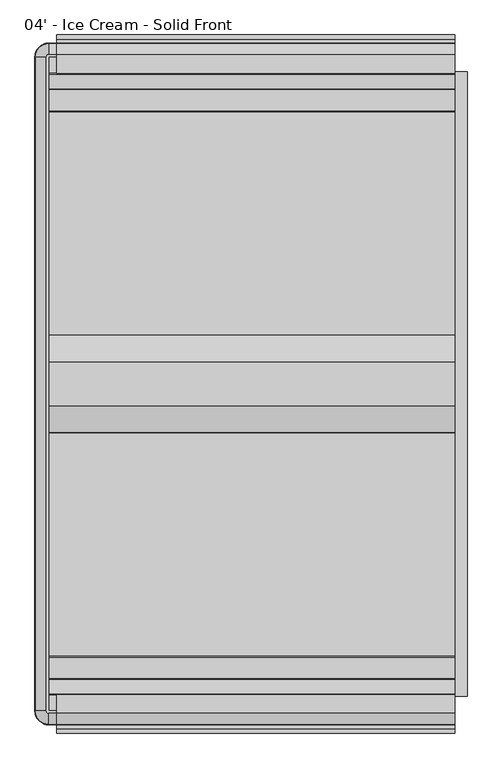
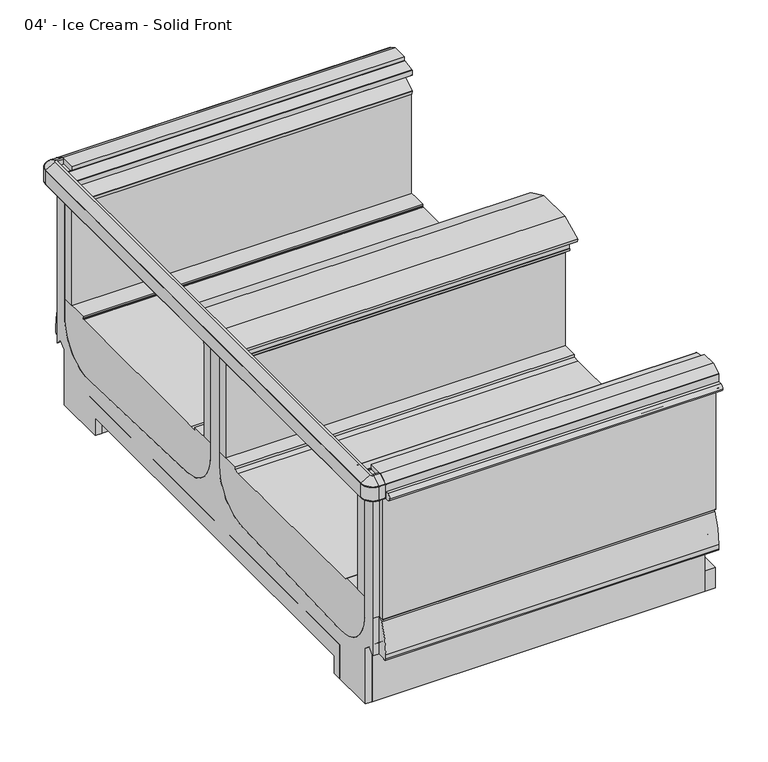
"""IFC4 building model written with IfcOpenShell, lengths in millimetres: proxy geometry, 04' - Ice Cream - Solid Front."""

from ifc_helpers import new_model, si_unit, point, frame, frame_2d, origin, origin_with_axes, place, context, project, spatial, polyline, circle_curve, ellipse_curve, trimmed, segment, composite_curve, outline, extrude, source, transform, mapped, element, save
from ifc_brep_helpers import plane_surface, cylinder_surface, revolved_surface, advanced_brep


def proxy_04_ice_cream_solid_front_bdc333ee(model_context):
    return source(origin(), model_context, "Body", "SolidModel", [
        extrude(outline(polyline([(-2377.8829734, 0.0), (-2409.6329734, 0.0), (-2409.6329734, 218.5762254), (-2377.8829734, 192.0044611), (-2377.8829734, 0.0)])), frame((0.0, 0.0, 0.0), z_axis=(1.0, 0.0, 0.0), x_axis=(0.0, 1.0, 0.0)), (0.0, 0.0, 1.0), 1219.2),
        extrude(outline(polyline([(1155.7, -582.4839273), (932.0400723, -582.4839273), (932.0400723, -531.6839273), (1155.7, -531.6839273), (1155.7, -582.4839273)])), frame((0.0, 0.0, -6.35), z_axis=(0.0, 0.0, 1.0), x_axis=(1.0, 0.0, 0.0)), (0.0, 0.0, 1.0), 6.35),
        extrude(outline(composite_curve([segment(trimmed(circle_curve(frame_2d((1016.0, -557.0839273)), 15.875), [point((1000.125, -557.0839273))], [point((1031.875, -557.0839273))], False, "CARTESIAN"), True, "CONTINUOUS"), segment(trimmed(circle_curve(frame_2d((1016.0, -557.0839273)), 15.875), [point((1031.875, -557.0839273))], [point((1000.125, -557.0839273))], False, "CARTESIAN"), True, "CONTINUOUS")], self_intersect=False)), frame((0.0, 0.0, -6.35), z_axis=(0.0, 0.0, 1.0), x_axis=(1.0, 0.0, 0.0)), (0.0, 0.0, 1.0), 6.35),
        extrude(outline(composite_curve([segment(trimmed(circle_curve(frame_2d((1066.8, -557.0839273)), 15.875), [point((1050.925, -557.0839273))], [point((1082.675, -557.0839273))], False, "CARTESIAN"), True, "CONTINUOUS"), segment(trimmed(circle_curve(frame_2d((1066.8, -557.0839273)), 15.875), [point((1082.675, -557.0839273))], [point((1050.925, -557.0839273))], False, "CARTESIAN"), True, "CONTINUOUS")], self_intersect=False)), frame((0.0, 0.0, -6.35), z_axis=(0.0, 0.0, 1.0), x_axis=(1.0, 0.0, 0.0)), (0.0, 0.0, 1.0), 6.35),
        extrude(outline(composite_curve([segment(trimmed(circle_curve(frame_2d((1117.6, -557.0839273)), 15.875), [point((1101.725, -557.0839273))], [point((1133.475, -557.0839273))], False, "CARTESIAN"), True, "CONTINUOUS"), segment(trimmed(circle_curve(frame_2d((1117.6, -557.0839273)), 15.875), [point((1133.475, -557.0839273))], [point((1101.725, -557.0839273))], False, "CARTESIAN"), True, "CONTINUOUS")], self_intersect=False)), frame((0.0, 0.0, -6.35), z_axis=(0.0, 0.0, 1.0), x_axis=(1.0, 0.0, 0.0)), (0.0, 0.0, 1.0), 6.35),
        extrude(outline(composite_curve([segment(trimmed(circle_curve(frame_2d((965.2, -557.0839273)), 15.875), [point((949.325, -557.0839273))], [point((981.075, -557.0839273))], False, "CARTESIAN"), True, "CONTINUOUS"), segment(trimmed(circle_curve(frame_2d((965.2, -557.0839273)), 15.875), [point((981.075, -557.0839273))], [point((949.325, -557.0839273))], False, "CARTESIAN"), True, "CONTINUOUS")], self_intersect=False)), frame((0.0, 0.0, -6.35), z_axis=(0.0, 0.0, 1.0), x_axis=(1.0, 0.0, 0.0)), (0.0, 0.0, 1.0), 6.35),
        extrude(outline(composite_curve([segment(trimmed(circle_curve(frame_2d((203.2, -2350.9589273)), 15.875), [point((219.075, -2350.9589273))], [point((187.325, -2350.9589273))], False, "CARTESIAN"), True, "CONTINUOUS"), segment(trimmed(circle_curve(frame_2d((203.2, -2350.9589273)), 15.875), [point((187.325, -2350.9589273))], [point((219.075, -2350.9589273))], False, "CARTESIAN"), True, "CONTINUOUS")], self_intersect=False)), frame((0.0, 0.0, -6.35), z_axis=(0.0, 0.0, 1.0), x_axis=(1.0, 0.0, 0.0)), (0.0, 0.0, 1.0), 6.35),
        extrude(outline(composite_curve([segment(trimmed(circle_curve(frame_2d((152.4, -2350.9589273)), 15.875), [point((168.275, -2350.9589273))], [point((136.525, -2350.9589273))], False, "CARTESIAN"), True, "CONTINUOUS"), segment(trimmed(circle_curve(frame_2d((152.4, -2350.9589273)), 15.875), [point((136.525, -2350.9589273))], [point((168.275, -2350.9589273))], False, "CARTESIAN"), True, "CONTINUOUS")], self_intersect=False)), frame((0.0, 0.0, -6.35), z_axis=(0.0, 0.0, 1.0), x_axis=(1.0, 0.0, 0.0)), (0.0, 0.0, 1.0), 6.35),
        extrude(outline(composite_curve([segment(trimmed(circle_curve(frame_2d((254.0, -2350.9589273)), 15.875), [point((269.875, -2350.9589273))], [point((238.125, -2350.9589273))], False, "CARTESIAN"), True, "CONTINUOUS"), segment(trimmed(circle_curve(frame_2d((254.0, -2350.9589273)), 15.875), [point((238.125, -2350.9589273))], [point((269.875, -2350.9589273))], False, "CARTESIAN"), True, "CONTINUOUS")], self_intersect=False)), frame((0.0, 0.0, -6.35), z_axis=(0.0, 0.0, 1.0), x_axis=(1.0, 0.0, 0.0)), (0.0, 0.0, 1.0), 6.35),
        extrude(outline(composite_curve([segment(trimmed(circle_curve(frame_2d((101.6, -2350.9589273)), 15.875), [point((117.475, -2350.9589273))], [point((85.725, -2350.9589273))], False, "CARTESIAN"), True, "CONTINUOUS"), segment(trimmed(circle_curve(frame_2d((101.6, -2350.9589273)), 15.875), [point((85.725, -2350.9589273))], [point((117.475, -2350.9589273))], False, "CARTESIAN"), True, "CONTINUOUS")], self_intersect=False)), frame((0.0, 0.0, -6.35), z_axis=(0.0, 0.0, 1.0), x_axis=(1.0, 0.0, 0.0)), (0.0, 0.0, 1.0), 6.35),
        extrude(outline(polyline([(69.85, -2325.5589273), (289.1439539, -2325.5589273), (289.1439539, -2376.3589273), (69.85, -2376.3589273), (69.85, -2325.5589273)])), frame((0.0, 0.0, -6.35), z_axis=(0.0, 0.0, 1.0), x_axis=(1.0, 0.0, 0.0)), (0.0, 0.0, 1.0), 6.35),
        extrude(outline(composite_curve([segment(polyline([(-445.8191812, 916.3995638), (-411.9355812, 896.8368583)]), True, "CONTINUOUS"), segment(trimmed(circle_curve(frame_2d((-412.9769812, 895.0331005)), 2.0828), [point((-411.9355812, 896.8368583))], [point((-410.8941812, 895.0331005))], False, "CARTESIAN"), True, "CONTINUOUS"), segment(polyline([(-410.8941812, 895.0331005), (-410.8941812, 842.2823638)]), True, "CONTINUOUS"), segment(trimmed(circle_curve(frame_2d((-412.9769812, 842.2823638)), 2.0828), [point((-410.8941812, 842.2823638))], [point((-412.9769812, 840.1995638))], False, "CARTESIAN"), True, "CONTINUOUS"), segment(polyline([(-412.9769812, 840.1995638), (-453.2686576, 840.1995638), (-453.2686576, 896.9698692), (-502.6537801, 896.9698692), (-502.6537801, 916.3995638), (-445.8191812, 916.3995638)]), True, "CONTINUOUS")], self_intersect=False)), frame((0.0, 0.0, 0.0), z_axis=(1.0, 0.0, 0.0), x_axis=(0.0, 1.0, 0.0)), (0.0, 0.0, 1.0), 1219.2),
        extrude(outline(composite_curve([segment(polyline([(-2462.2236734, 916.3995638), (-2405.3883698, 916.3995638), (-2405.3883698, 896.9698692), (-2454.774197, 896.9698692), (-2454.774197, 840.1995638), (-2495.0658734, 840.1995638)]), True, "CONTINUOUS"), segment(trimmed(circle_curve(frame_2d((-2495.0658734, 842.2823638)), 2.0828), [point((-2495.0658734, 840.1995638))], [point((-2497.1486734, 842.2823638))], False, "CARTESIAN"), True, "CONTINUOUS"), segment(polyline([(-2497.1486734, 842.2823638), (-2497.1486734, 895.0331005)]), True, "CONTINUOUS"), segment(trimmed(circle_curve(frame_2d((-2495.0658734, 895.0331005)), 2.0828), [point((-2497.1486734, 895.0331005))], [point((-2496.1072734, 896.8368583))], False, "CARTESIAN"), True, "CONTINUOUS"), segment(polyline([(-2496.1072734, 896.8368583), (-2462.2236734, 916.3995638)]), True, "CONTINUOUS")], self_intersect=False)), frame((0.0, 0.0, 0.0), z_axis=(1.0, 0.0, 0.0), x_axis=(0.0, 1.0, 0.0)), (0.0, 0.0, 1.0), 1219.2),
        extrude(outline(polyline([(1257.3, -498.4098812), (1257.3, -2409.6329734), (1219.2, -2409.6329734), (1219.2, -498.4098812), (1257.3, -498.4098812)])), origin_with_axes(), (0.0, 0.0, 1.0), 80.0346764),
        extrude(outline(composite_curve([segment(polyline([(-2454.774197, 212.6925638), (-2484.436449, 212.6925638), (-2484.436449, 210.1525638), (-2489.3644531, 210.1525638)]), True, "CONTINUOUS"), segment(trimmed(circle_curve(frame_2d((-2489.3644531, 218.3404259)), 8.1878621), [point((-2489.3644531, 210.1525638))], [point((-2497.5523152, 218.3404259))], False, "CARTESIAN"), True, "CONTINUOUS"), segment(polyline([(-2497.5523152, 218.3404259), (-2497.5523152, 235.3283913)]), True, "CONTINUOUS"), segment(trimmed(circle_curve(frame_2d((-2218.2798369, 226.8878416)), 279.4), [point((-2497.5523152, 235.3283913))], [point((-2470.719945, 346.6306987))], False, "CARTESIAN"), True, "CONTINUOUS"), segment(trimmed(circle_curve(frame_2d((-2459.2453946, 341.1878416)), 12.7), [point((-2470.719945, 346.6306987))], [point((-2459.036449, 353.8861226))], False, "CARTESIAN"), True, "CONTINUOUS"), segment(polyline([(-2459.036449, 353.8861226), (-2459.036449, 358.1075638), (-2454.774197, 358.1075638), (-2454.774197, 212.6925638)]), True, "CONTINUOUS")], self_intersect=False)), frame((0.0, 0.0, 0.0), z_axis=(1.0, 0.0, 0.0), x_axis=(0.0, 1.0, 0.0)), (0.0, 0.0, 1.0), 1219.2),
        extrude(outline(composite_curve([segment(polyline([(-453.2686576, 212.6925638), (-453.2686576, 358.1075638), (-449.0064056, 358.1075638), (-449.0064056, 353.8878416), (-439.8158479, 353.8878416)]), True, "CONTINUOUS"), segment(trimmed(circle_curve(frame_2d((-439.8158479, 341.1878416)), 12.7), [point((-439.8158479, 353.8878416))], [point((-428.3412975, 346.6306987))], False, "CARTESIAN"), True, "CONTINUOUS"), segment(trimmed(circle_curve(frame_2d((-680.7814056, 226.8878416)), 279.4), [point((-428.3412975, 346.6306987))], [point((-401.5089273, 235.3283913))], False, "CARTESIAN"), True, "CONTINUOUS"), segment(polyline([(-401.5089273, 235.3283913), (-401.5089273, 218.3404259)]), True, "CONTINUOUS"), segment(trimmed(circle_curve(frame_2d((-409.6967894, 218.3404259)), 8.1878621), [point((-401.5089273, 218.3404259))], [point((-409.6967894, 210.1525638))], False, "CARTESIAN"), True, "CONTINUOUS"), segment(polyline([(-409.6967894, 210.1525638), (-423.6064056, 210.1525638), (-423.6064056, 212.6925638), (-453.2686576, 212.6925638)]), True, "CONTINUOUS")], self_intersect=False)), frame((0.0, 0.0, 0.0), z_axis=(1.0, 0.0, 0.0), x_axis=(0.0, 1.0, 0.0)), (0.0, 0.0, 1.0), 1219.2),
        advanced_brep(
        [(-24.4402697, -2454.774197, 897.0258043), (-24.4402697, -2405.4351648, 897.0258043), (-24.4402697, -2405.4351648, 329.8307252), (-24.4402697, -2245.5061532, 189.514106), (-24.4402697, -1631.4536419, 211.922149), (-24.4402697, -1480.7855206, 364.3123081), (-24.4402697, -1480.7848159, 866.4774073), (-24.4402697, -1427.2580387, 866.4774073), (-24.4402697, -1427.2580387, 364.3123081), (-24.4402697, -1276.5892127, 211.922149), (-24.4402697, -662.5367014, 189.514106), (-24.4402697, -502.6076898, 329.8307252), (-24.4402697, -502.6076898, 413.6025156), (-24.4402697, -502.6076898, 897.0258043), (-24.4402697, -453.2686576, 897.0258043), (-24.4402697, -453.2686576, 358.1075638), (-24.4402697, -453.2686576, 212.7617767), (-24.4402697, -472.9537484, 236.2215544), (-24.4402697, -498.4098812, 214.8613228), (-24.4402697, -498.4098812, 0.0), (-24.4402697, -694.8002747, 0.0), (-24.4402697, -694.8001069, 67.8833987), (-24.4402697, -1454.0214273, 67.8834387), (-24.4402697, -2213.2427477, 67.8833987), (-24.4402697, -2213.2425799, 0.0), (-24.4402697, -2409.6329734, 0.0), (-24.4402697, -2409.6329734, 214.8613228), (-24.4402697, -2435.0891062, 236.2215544), (-24.4402697, -2454.774197, 212.7617767), (-24.4402697, -2454.774197, 358.1075638), (0.0, -2454.774197, 897.0258043), (0.0, -2454.774197, 358.1075638), (0.0, -2454.774197, 212.7617767), (0.0, -2435.0891062, 236.2215544), (0.0, -2409.6329734, 214.8613228), (0.0, -2409.6329734, 0.0), (0.0, -2213.2425799, 0.0), (0.0, -2213.2427477, 67.8833987), (0.0, -1454.0214273, 67.8834387), (0.0, -694.8001069, 67.8833987), (0.0, -694.8002747, 0.0), (0.0, -498.4098812, 0.0), (0.0, -498.4098812, 214.8613228), (0.0, -472.9537484, 236.2215544), (0.0, -453.2686576, 212.7617767), (0.0, -453.2686576, 358.1075638), (0.0, -453.2686576, 897.0258043), (0.0, -502.6076898, 897.0258043), (0.0, -502.6076898, 413.6025156), (0.0, -502.6076898, 329.8307252), (0.0, -662.5367014, 189.514106), (0.0, -1276.5892127, 211.922149), (0.0, -1427.257334, 364.3123081), (0.0, -1427.2580387, 866.4774073), (0.0, -1480.7848159, 866.4774073), (0.0, -1480.7848159, 364.3123081), (0.0, -1631.4536419, 211.922149), (0.0, -2245.5061532, 189.514106), (0.0, -2405.4351648, 329.8307252), (0.0, -2405.4351648, 897.0258043)],
        [
            (0, 1),
            (1, 2),
            (2, 3, circle_curve(frame((-24.4402697, -2254.7995855, 340.2213556), z_axis=(1.0, 0.0, 0.0), x_axis=(0.0, 1.0, 0.0)), 150.9935196)),
            (3, 4, circle_curve(frame((-24.4402697, -1492.4045203, -12023.1831731), z_axis=(-1.0, 0.0, 0.0), x_axis=(0.0, 1.0, 0.0)), 12235.8954271)),
            (4, 5, circle_curve(frame((-24.4402697, -1633.1855206, 364.3123081), z_axis=(1.0, 0.0, 0.0), x_axis=(0.0, 1.0, 0.0)), 152.4)),
            (5, 6),
            (6, 7),
            (7, 8),
            (8, 9, circle_curve(frame((-24.4402697, -1274.857334, 364.3123081), z_axis=(1.0, 0.0, 0.0), x_axis=(0.0, 1.0, 0.0)), 152.4)),
            (9, 10, circle_curve(frame((-24.4402697, -1415.6383343, -12023.1831731), z_axis=(-1.0, 0.0, 0.0), x_axis=(0.0, 1.0, 0.0)), 12235.8954271)),
            (10, 11, circle_curve(frame((-24.4402697, -653.2432691, 340.2213556), z_axis=(1.0, 0.0, 0.0), x_axis=(0.0, 1.0, 0.0)), 150.9935196)),
            (11, 12),
            (12, 13),
            (13, 14),
            (14, 15),
            (15, 16),
            (16, 17),
            (17, 18),
            (18, 19),
            (19, 20),
            (20, 21),
            (21, 22),
            (22, 23),
            (23, 24),
            (24, 25),
            (25, 26),
            (26, 27),
            (27, 28),
            (28, 29),
            (29, 0),
            (30, 31),
            (31, 32),
            (32, 33),
            (33, 34),
            (34, 35),
            (35, 36),
            (36, 37),
            (37, 38),
            (38, 39),
            (39, 40),
            (40, 41),
            (41, 42),
            (42, 43),
            (43, 44),
            (44, 45),
            (45, 46),
            (46, 47),
            (47, 48),
            (48, 49),
            (49, 50, circle_curve(frame((0.0, -653.2432691, 340.2213556), z_axis=(-1.0, 0.0, 0.0), x_axis=(0.0, 1.0, 0.0)), 150.9935196)),
            (50, 51, circle_curve(frame((0.0, -1415.6383343, -12023.1831731), z_axis=(1.0, 0.0, 0.0), x_axis=(0.0, 1.0, 0.0)), 12235.8954271)),
            (51, 52, circle_curve(frame((0.0, -1274.857334, 364.3123081), z_axis=(-1.0, 0.0, 0.0), x_axis=(0.0, 1.0, 0.0)), 152.4)),
            (52, 53),
            (53, 54),
            (54, 55),
            (55, 56, circle_curve(frame((0.0, -1633.1855206, 364.3123081), z_axis=(-1.0, 0.0, 0.0), x_axis=(0.0, 1.0, 0.0)), 152.4)),
            (56, 57, circle_curve(frame((0.0, -1492.4045203, -12023.1831731), z_axis=(1.0, 0.0, 0.0), x_axis=(0.0, 1.0, 0.0)), 12235.8954271)),
            (57, 58, circle_curve(frame((0.0, -2254.7995855, 340.2213556), z_axis=(-1.0, 0.0, 0.0), x_axis=(0.0, 1.0, 0.0)), 150.9935196)),
            (58, 59),
            (59, 30),
            (59, 1),
            (0, 30),
            (29, 31),
            (28, 32),
            (45, 15),
            (14, 46),
            (13, 47),
            (42, 18),
            (17, 43),
            (16, 44),
            (27, 33),
            (26, 34),
            (12, 48),
            (11, 49),
            (10, 50),
            (9, 51),
            (8, 52),
            (7, 53),
            (6, 54),
            (5, 55),
            (4, 56),
            (3, 57),
            (2, 58),
            (25, 35),
            (24, 36),
            (23, 37),
            (22, 38),
            (21, 39),
            (20, 40),
            (19, 41),
        ],
        [
            plane_surface(frame((-24.4402697, -2454.774197, 358.1075638), z_axis=(-1.0, 0.0, 0.0), x_axis=(0.0, 0.0, 1.0))),
            plane_surface(frame((0.0, -2454.774197, 358.1075638), z_axis=(1.0, 0.0, 0.0), x_axis=(0.0, 0.0, -1.0))),
            plane_surface(frame((0.0, -2405.4351648, 897.0258043), z_axis=(0.0, 0.0, 1.0), x_axis=(-1.0, 0.0, 0.0))),
            plane_surface(frame((0.0, -2454.774197, 897.0258043), z_axis=(0.0, -1.0, 0.0), x_axis=(-1.0, 0.0, 0.0))),
            plane_surface(frame((0.0, -2454.774197, 358.1075638), z_axis=(0.0, -1.0, 0.0), x_axis=(-1.0, 0.0, 0.0))),
            plane_surface(frame((0.0, -453.2686576, 358.1075638), z_axis=(0.0, 1.0, 0.0), x_axis=(-1.0, 0.0, 0.0))),
            plane_surface(frame((0.0, -453.2686576, 897.0258043), z_axis=(0.0, 0.0, 1.0), x_axis=(-1.0, 0.0, 0.0))),
            plane_surface(frame((0.0, -498.4098812, 214.8613228), z_axis=(0.0, 0.6427876097064538, -0.7660444431022678), x_axis=(-1.0, 0.0, 0.0))),
            plane_surface(frame((0.0, -472.9537484, 236.2215544), z_axis=(0.0, -0.7660444431084633, -0.6427876096990705), x_axis=(-1.0, 0.0, 0.0))),
            plane_surface(frame((0.0, -453.2686576, 212.7617767), z_axis=(0.0, 1.0, 3.1216682375061996e-12), x_axis=(-1.0, 0.0, 0.0))),
            plane_surface(frame((0.0, -2454.774197, 212.7617767), z_axis=(0.0, 0.7660444431333294, -0.6427876096694362), x_axis=(-1.0, 0.0, 0.0))),
            plane_surface(frame((0.0, -2435.0891062, 236.2215544), z_axis=(0.0, -0.6427876097190367, -0.7660444430917096), x_axis=(-1.0, 0.0, 0.0))),
            plane_surface(frame((0.0, -502.6076898, 897.0258043), z_axis=(0.0, -1.0, 0.0), x_axis=(-1.0, 0.0, 0.0))),
            plane_surface(frame((0.0, -502.6076898, 413.6025156), z_axis=(0.0, -1.0, 0.0), x_axis=(-1.0, 0.0, 0.0))),
            revolved_surface(polyline([(-24.4402697, -502.2497495, 340.2213556), (0.0, -502.2497495, 340.2213556)]), (-24.4402697, -653.2432691, 340.2213556), (-1.0, 0.0, 0.0)),
            cylinder_surface(frame((-24.4402697, -1415.6383343, -12023.1831731), z_axis=(1.0, 0.0, 0.0), x_axis=(0.0, 1.0, 0.0)), 12235.8954271),
            revolved_surface(polyline([(-24.4402697, -1122.457334, 364.3123081), (0.0, -1122.457334, 364.3123081)]), (-24.4402697, -1274.857334, 364.3123081), (-1.0, 0.0, 0.0)),
            plane_surface(frame((0.0, -1427.2580387, 364.3123081), z_axis=(0.0, 1.0, 0.0), x_axis=(-1.0, 0.0, 0.0))),
            plane_surface(frame((0.0, -1427.2580387, 866.4774073), z_axis=(0.0, 0.0, 1.0), x_axis=(-1.0, 0.0, 0.0))),
            plane_surface(frame((0.0, -1480.7848159, 866.4774073), z_axis=(0.0, -1.0, 0.0), x_axis=(-1.0, 0.0, 0.0))),
            revolved_surface(polyline([(-24.4402697, -1480.7855206, 364.3123081), (0.0, -1480.7855206, 364.3123081)]), (-24.4402697, -1633.1855206, 364.3123081), (-1.0, 0.0, 0.0)),
            cylinder_surface(frame((-24.4402697, -1492.4045203, -12023.1831731), z_axis=(1.0, 0.0, 0.0), x_axis=(0.0, 1.0, 0.0)), 12235.8954271),
            revolved_surface(polyline([(-24.4402697, -2103.8060659, 340.2213556), (0.0, -2103.8060659, 340.2213556)]), (-24.4402697, -2254.7995855, 340.2213556), (-1.0, 0.0, 0.0)),
            plane_surface(frame((0.0, -2405.4351648, 329.8307252), z_axis=(0.0, 1.0, 0.0), x_axis=(-1.0, 0.0, 0.0))),
            plane_surface(frame((0.0, -2409.6329734, 214.8613228), z_axis=(0.0, -1.0, 0.0), x_axis=(-1.0, 0.0, 0.0))),
            plane_surface(frame((0.0, -2409.6329734, 0.0), z_axis=(0.0, 0.0, -1.0), x_axis=(-1.0, 0.0, 0.0))),
            plane_surface(frame((0.0, -2213.2425799, 0.0), z_axis=(0.0, 0.9999999999969436, 2.472444991820878e-06), x_axis=(-1.0, 0.0, 0.0))),
            plane_surface(frame((0.0, -2213.2427477, 67.8833987), z_axis=(0.0, 5.271826472873997e-08, -0.9999999999999987), x_axis=(-1.0, 0.0, 0.0))),
            plane_surface(frame((0.0, -1454.0214273, 67.8834387), z_axis=(0.0, -5.271826471759711e-08, -0.9999999999999987), x_axis=(-1.0, 0.0, 0.0))),
            plane_surface(frame((0.0, -694.8001069, 67.8833987), z_axis=(0.0, -0.9999999999969436, 2.472444991820454e-06), x_axis=(-1.0, 0.0, 0.0))),
            plane_surface(frame((0.0, -694.8002747, 0.0), z_axis=(0.0, 0.0, -1.0), x_axis=(-1.0, 0.0, 0.0))),
            plane_surface(frame((0.0, -498.4098812, 0.0), z_axis=(0.0, 1.0, 0.0), x_axis=(-1.0, 0.0, 0.0))),
        ],
        [
            (0, [[1, 2, 3, 4, 5, 6, 7, 8, 9, 10, 11, 12, 13, 14, 15, 16, 17, 18, 19, 20, 21, 22, 23, 24, 25, 26, 27, 28, 29, 30]]),
            (1, [[31, 32, 33, 34, 35, 36, 37, 38, 39, 40, 41, 42, 43, 44, 45, 46, 47, 48, 49, 50, 51, 52, 53, 54, 55, 56, 57, 58, 59, 60]]),
            (2, [[-60, 61, -1, 62]]),
            (3, [[-31, -62, -30, 63]]),
            (4, [[-32, -63, -29, 64]]),
            (5, [[-46, 65, -15, 66]]),
            (6, [[-47, -66, -14, 67]]),
            (7, [[-43, 68, -18, 69]]),
            (8, [[-44, -69, -17, 70]]),
            (9, [[-45, -70, -16, -65]]),
            (10, [[-33, -64, -28, 71]]),
            (11, [[-34, -71, -27, 72]]),
            (12, [[-48, -67, -13, 73]]),
            (13, [[-49, -73, -12, 74]]),
            (14, [[-50, -74, -11, 75]]),
            (15, [[-51, -75, -10, 76]]),
            (16, [[-52, -76, -9, 77]]),
            (17, [[-53, -77, -8, 78]]),
            (18, [[-54, -78, -7, 79]]),
            (19, [[-55, -79, -6, 80]]),
            (20, [[-56, -80, -5, 81]]),
            (21, [[-57, -81, -4, 82]]),
            (22, [[-58, -82, -3, 83]]),
            (23, [[-59, -83, -2, -61]]),
            (24, [[-35, -72, -26, 84]]),
            (25, [[-36, -84, -25, 85]]),
            (26, [[-37, -85, -24, 86]]),
            (27, [[-38, -86, -23, 87]]),
            (28, [[-39, -87, -22, 88]]),
            (29, [[-40, -88, -21, 89]]),
            (30, [[-41, -89, -20, 90]]),
            (31, [[-42, -90, -19, -68]]),
        ],
    ),
        extrude(outline(polyline([(-2247.3548736, 0.0), (-2409.6329734, 0.0), (-2409.6329734, 214.8613228), (-2435.0891062, 236.2215544), (-2454.774197, 212.7617767), (-2454.774197, 256.3551845), (-2304.8796168, 130.9075167), (-2247.3551153, 130.9023907), (-2247.3548736, 0.0)])), frame((0.0, 0.0, 0.0), z_axis=(1.0, 0.0, 0.0), x_axis=(0.0, 1.0, 0.0)), (0.0, 0.0, 1.0), 1219.2),
        extrude(outline(polyline([(-660.687981, 0.0), (-660.6877393, 130.9023907), (-603.1632378, 130.9075167), (-498.4098812, 218.5762254), (-498.4098812, 0.0), (-660.687981, 0.0)])), frame((0.0, 0.0, 0.0), z_axis=(1.0, 0.0, 0.0), x_axis=(0.0, 1.0, 0.0)), (0.0, 0.0, 1.0), 1219.2),
        extrude(outline(composite_curve([segment(polyline([(-453.2686576, 840.1995638), (-429.7663812, 840.1995638), (-429.7663812, 359.6315638)]), True, "CONTINUOUS"), segment(trimmed(circle_curve(frame_2d((-431.2903812, 359.6315638)), 1.524), [point((-429.7663812, 359.6315638))], [point((-431.2903812, 358.1075638))], False, "CARTESIAN"), True, "CONTINUOUS"), segment(polyline([(-431.2903812, 358.1075638), (-453.2686576, 358.1075638), (-453.2686576, 840.1995638)]), True, "CONTINUOUS")], self_intersect=False)), frame((0.0, 0.0, 0.0), z_axis=(1.0, 0.0, 0.0), x_axis=(0.0, 1.0, 0.0)), (0.0, 0.0, 1.0), 1219.2),
        extrude(outline(composite_curve([segment(polyline([(-2454.774197, 840.1995638), (-2454.774197, 358.1075638), (-2476.7524734, 358.1075638)]), True, "CONTINUOUS"), segment(trimmed(circle_curve(frame_2d((-2476.7524734, 359.6315638)), 1.524), [point((-2476.7524734, 358.1075638))], [point((-2478.2764734, 359.6315638))], False, "CARTESIAN"), True, "CONTINUOUS"), segment(polyline([(-2478.2764734, 359.6315638), (-2478.2764734, 840.1995638), (-2454.774197, 840.1995638)]), True, "CONTINUOUS")], self_intersect=False)), frame((0.0, 0.0, 0.0), z_axis=(1.0, 0.0, 0.0), x_axis=(0.0, 1.0, 0.0)), (0.0, 0.0, 1.0), 1219.2),
        extrude(outline(composite_curve([segment(polyline([(-2497.1486734, 866.4774073), (-2497.1486734, 841.0774073), (-2509.5631602, 841.0774073)]), True, "CONTINUOUS"), segment(trimmed(circle_curve(frame_2d((-2509.5631602, 853.7774073)), 12.7), [point((-2509.5631602, 841.0774073))], [point((-2522.2631602, 853.7774073))], False, "CARTESIAN"), True, "CONTINUOUS"), segment(trimmed(circle_curve(frame_2d((-2509.5631602, 853.7774073)), 12.7), [point((-2522.2631602, 853.7774073))], [point((-2509.5631602, 866.4774073))], False, "CARTESIAN"), True, "CONTINUOUS"), segment(polyline([(-2509.5631602, 866.4774073), (-2497.1486734, 866.4774073)]), True, "CONTINUOUS")], self_intersect=False)), frame((0.0, 0.0, 0.0), z_axis=(1.0, 0.0, 0.0), x_axis=(0.0, 1.0, 0.0)), (0.0, 0.0, 1.0), 1219.2),
        extrude(outline(composite_curve([segment(polyline([(-410.8941812, 866.4774073), (-398.4796944, 866.4774073)]), True, "CONTINUOUS"), segment(trimmed(circle_curve(frame_2d((-398.4796944, 853.7774073)), 12.7), [point((-398.4796944, 866.4774073))], [point((-385.7796944, 853.7774073))], False, "CARTESIAN"), True, "CONTINUOUS"), segment(trimmed(circle_curve(frame_2d((-398.4796944, 853.7774073)), 12.7), [point((-385.7796944, 853.7774073))], [point((-398.4796944, 841.0774073))], False, "CARTESIAN"), True, "CONTINUOUS"), segment(polyline([(-398.4796944, 841.0774073), (-410.8941812, 841.0774073), (-410.8941812, 866.4774073)]), True, "CONTINUOUS")], self_intersect=False)), frame((0.0, 0.0, 0.0), z_axis=(1.0, 0.0, 0.0), x_axis=(0.0, 1.0, 0.0)), (0.0, 0.0, 1.0), 1219.2),
        extrude(outline(polyline([(1219.2, -1527.311562), (1219.2, -1549.536562), (0.0, -1549.536562), (0.0, -1527.311562), (1219.2, -1527.311562)])), frame((0.0, 0.0, 802.4445616), z_axis=(0.0, 0.0, 1.0), x_axis=(1.0, 0.0, 0.0)), (0.0, 0.0, 1.0), 76.2),
        extrude(outline(polyline([(1219.2, -1358.5062926), (1219.2, -1380.7312926), (0.0, -1380.7312926), (0.0, -1358.5062926), (1219.2, -1358.5062926)])), frame((0.0, 0.0, 802.4445616), z_axis=(0.0, 0.0, 1.0), x_axis=(1.0, 0.0, 0.0)), (0.0, 0.0, 1.0), 76.2),
        extrude(outline(composite_curve([segment(polyline([(-1551.071886, 800.8570616), (-1551.071886, 808.7945616), (-1549.536562, 808.7945616), (-1549.536562, 802.4445616), (-1527.311562, 802.4445616), (-1527.311562, 866.3043859), (-1480.7848159, 866.3043859), (-1480.7848159, 415.2220813), (-1522.6087322, 415.2325275), (-1522.6087322, 775.2893206)]), True, "CONTINUOUS"), segment(trimmed(circle_curve(frame_2d((-1522.2729918, 776.2117598)), 0.9816393), [point((-1522.6087322, 775.2893206))], [point((-1523.2546312, 776.2117598))], False, "CARTESIAN"), True, "CONTINUOUS"), segment(polyline([(-1523.2546312, 776.2117598), (-1523.2546312, 800.8570616), (-1551.071886, 800.8570616)]), True, "CONTINUOUS")], self_intersect=False)), frame((-24.4402697, 0.0, 0.0), z_axis=(1.0, 0.0, 0.0), x_axis=(0.0, 1.0, 0.0)), (0.0, 0.0, 1.0), 1243.6402697),
        extrude(outline(composite_curve([segment(polyline([(-1356.9709686, 800.8570616), (-1384.7882234, 800.8570616), (-1384.7882234, 776.2117598)]), True, "CONTINUOUS"), segment(trimmed(circle_curve(frame_2d((-1385.7698628, 776.2117598)), 0.9816393), [point((-1384.7882234, 776.2117598))], [point((-1385.4341224, 775.2893206))], False, "CARTESIAN"), True, "CONTINUOUS"), segment(polyline([(-1385.4341224, 775.2893206), (-1385.4341224, 415.2325275), (-1427.2580387, 415.2220813), (-1427.2580387, 866.3043859), (-1380.7312926, 866.3043859), (-1380.7312926, 802.4445616), (-1358.5062926, 802.4445616), (-1358.5062926, 808.7945616), (-1356.9709686, 808.7945616), (-1356.9709686, 800.8570616)]), True, "CONTINUOUS")], self_intersect=False)), frame((-24.4402697, 0.0, 0.0), z_axis=(1.0, 0.0, 0.0), x_axis=(0.0, 1.0, 0.0)), (0.0, 0.0, 1.0), 1243.6402697),
        extrude(outline(polyline([(-1387.836481, 914.8138293), (-1305.5925722, 875.4929407), (-1309.5700998, 864.574991), (-1312.0395874, 864.7344073), (-1358.5062926, 864.7344073), (-1358.5062926, 878.6445616), (-1380.7312926, 878.6445616), (-1380.7312926, 866.3043859), (-1527.311562, 866.3043859), (-1527.311562, 878.6445616), (-1549.536562, 878.6445616), (-1549.536562, 864.7344073), (-1596.0032672, 864.7344073), (-1598.4727548, 864.574991), (-1602.4502824, 875.4929407), (-1520.2063736, 914.8138293), (-1387.836481, 914.8138293)])), frame((-24.4402697, 0.0, 0.0), z_axis=(1.0, 0.0, 0.0), x_axis=(0.0, 1.0, 0.0)), (0.0, 0.0, 1.0), 1243.6402697),
        extrude(outline(composite_curve([segment(polyline([(-502.6076898, 413.6025156), (-547.7105983, 413.6025156), (-547.7105983, 799.5951356), (-549.2980983, 799.5951356), (-552.5851001, 811.8623936)]), True, "CONTINUOUS"), segment(trimmed(circle_curve(frame_2d((-550.6959424, 812.3685918)), 1.9558), [point((-552.5851001, 811.8623936))], [point((-551.6738424, 814.0623643))], False, "CARTESIAN"), True, "CONTINUOUS"), segment(polyline([(-551.6738424, 814.0623643), (-507.7817983, 839.4034478)]), True, "CONTINUOUS"), segment(trimmed(circle_curve(frame_2d((-506.8038983, 837.7096753)), 1.9558), [point((-507.7817983, 839.4034478))], [point((-504.8480983, 837.7096753))], False, "CARTESIAN"), True, "CONTINUOUS"), segment(polyline([(-504.8480983, 837.7096753), (-504.8480983, 846.7803598)]), True, "CONTINUOUS"), segment(trimmed(circle_curve(frame_2d((-505.6354983, 846.7803598)), 0.7874), [point((-504.8480983, 846.7803598))], [point((-505.2464442, 847.4649295))], True, "CARTESIAN"), True, "CONTINUOUS"), segment(polyline([(-505.2464442, 847.4649295), (-550.9785754, 873.4553778)]), True, "CONTINUOUS"), segment(trimmed(circle_curve(frame_2d((-550.2255675, 874.7803514)), 1.524), [point((-550.9785754, 873.4553778))], [point((-551.7495675, 874.7803514))], False, "CARTESIAN"), True, "CONTINUOUS"), segment(polyline([(-551.7495675, 874.7803514), (-551.7495675, 892.7114623)]), True, "CONTINUOUS"), segment(trimmed(circle_curve(frame_2d((-550.2255675, 892.7114623)), 1.524), [point((-551.7495675, 892.7114623))], [point((-550.4902073, 894.2123093))], False, "CARTESIAN"), True, "CONTINUOUS"), segment(polyline([(-550.4902073, 894.2123093), (-505.4987677, 902.1455141), (-502.6076898, 902.1455141), (-502.6076898, 413.6025156)]), True, "CONTINUOUS")], self_intersect=False)), frame((-24.4402697, 0.0, 0.0), z_axis=(1.0, 0.0, 0.0), x_axis=(0.0, 1.0, 0.0)), (0.0, 0.0, 1.0), 1243.6402697),
        extrude(outline(composite_curve([segment(polyline([(-2405.4351648, 413.6025156), (-2405.4351648, 902.1455141), (-2402.5440869, 902.1455141), (-2357.5526473, 894.2123093)]), True, "CONTINUOUS"), segment(trimmed(circle_curve(frame_2d((-2357.8172871, 892.7114623)), 1.524), [point((-2357.5526473, 894.2123093))], [point((-2356.2932871, 892.7114623))], False, "CARTESIAN"), True, "CONTINUOUS"), segment(polyline([(-2356.2932871, 892.7114623), (-2356.2932871, 874.7803514)]), True, "CONTINUOUS"), segment(trimmed(circle_curve(frame_2d((-2357.8172871, 874.7803514)), 1.524), [point((-2356.2932871, 874.7803514))], [point((-2357.0642791, 873.4553778))], False, "CARTESIAN"), True, "CONTINUOUS"), segment(polyline([(-2357.0642791, 873.4553778), (-2402.7964104, 847.4649295)]), True, "CONTINUOUS"), segment(trimmed(circle_curve(frame_2d((-2402.4073563, 846.7803598)), 0.7874), [point((-2402.7964104, 847.4649295))], [point((-2403.1947563, 846.7803598))], True, "CARTESIAN"), True, "CONTINUOUS"), segment(polyline([(-2403.1947563, 846.7803598), (-2403.1947563, 837.7096753)]), True, "CONTINUOUS"), segment(trimmed(circle_curve(frame_2d((-2401.2389563, 837.7096753)), 1.9558), [point((-2403.1947563, 837.7096753))], [point((-2400.2610563, 839.4034478))], False, "CARTESIAN"), True, "CONTINUOUS"), segment(polyline([(-2400.2610563, 839.4034478), (-2356.3690122, 814.0623643)]), True, "CONTINUOUS"), segment(trimmed(circle_curve(frame_2d((-2357.3469122, 812.3685918)), 1.9558), [point((-2356.3690122, 814.0623643))], [point((-2355.4577545, 811.8623936))], False, "CARTESIAN"), True, "CONTINUOUS"), segment(polyline([(-2355.4577545, 811.8623936), (-2358.7447563, 799.5951356), (-2360.3322563, 799.5951356), (-2360.3322563, 413.6025156), (-2405.4351648, 413.6025156)]), True, "CONTINUOUS")], self_intersect=False)), frame((-24.4402697, 0.0, 0.0), z_axis=(1.0, 0.0, 0.0), x_axis=(0.0, 1.0, 0.0)), (0.0, 0.0, 1.0), 1243.6402697),
        extrude(outline(composite_curve([segment(trimmed(circle_curve(frame_2d((-653.2432691, 340.2213556)), 150.9935196), [point((-502.6076898, 329.8307252))], [point((-662.5367014, 189.514106))], False, "CARTESIAN"), True, "CONTINUOUS"), segment(trimmed(circle_curve(frame_2d((-1415.6383343, -12023.1831731)), 12235.8954271), [point((-662.5367014, 189.514106))], [point((-1276.5892127, 211.922149))], True, "CARTESIAN"), True, "CONTINUOUS"), segment(trimmed(circle_curve(frame_2d((-1274.857334, 364.3123081)), 152.4), [point((-1276.5892127, 211.922149))], [point((-1427.257334, 364.3123081))], False, "CARTESIAN"), True, "CONTINUOUS"), segment(polyline([(-1427.257334, 364.3123081), (-1427.257334, 415.2220814), (-1327.4861855, 415.247001), (-1327.4836218, 404.9827495), (-1304.411668, 404.9827495), (-621.5663814, 405.1887649)]), True, "CONTINUOUS"), segment(trimmed(circle_curve(frame_2d((-621.5666848, 406.1943748)), 1.0056099), [point((-621.5663814, 405.1887649))], [point((-620.5610749, 406.1943748))], True, "CARTESIAN"), True, "CONTINUOUS"), segment(polyline([(-620.5610749, 406.1943748), (-620.5610749, 410.7761577)]), True, "CONTINUOUS"), segment(trimmed(circle_curve(frame_2d((-617.734717, 410.7761577)), 2.8263579), [point((-620.5610749, 410.7761577))], [point((-617.734717, 413.6025156))], False, "CARTESIAN"), True, "CONTINUOUS"), segment(polyline([(-617.734717, 413.6025156), (-502.6076898, 413.6025156), (-502.6076898, 329.8307252)]), True, "CONTINUOUS")], self_intersect=False)), frame((-24.4402697, 0.0, 0.0), z_axis=(1.0, 0.0, 0.0), x_axis=(0.0, 1.0, 0.0)), (0.0, 0.0, 1.0), 1243.6402697),
        extrude(outline(composite_curve([segment(polyline([(-2405.4351648, 329.8307252), (-2405.4351648, 413.6025156), (-2290.3081376, 413.6025156)]), True, "CONTINUOUS"), segment(trimmed(circle_curve(frame_2d((-2290.3081376, 410.7761577)), 2.8263579), [point((-2290.3081376, 413.6025156))], [point((-2287.4817797, 410.7761577))], False, "CARTESIAN"), True, "CONTINUOUS"), segment(polyline([(-2287.4817797, 410.7761577), (-2287.4817797, 406.1943748)]), True, "CONTINUOUS"), segment(trimmed(circle_curve(frame_2d((-2286.4761698, 406.1943748)), 1.0056099), [point((-2287.4817797, 406.1943748))], [point((-2286.4764732, 405.1887649))], True, "CARTESIAN"), True, "CONTINUOUS"), segment(polyline([(-2286.4764732, 405.1887649), (-1603.6311866, 404.9827495), (-1580.5592328, 404.9827495), (-1580.5566691, 415.247001), (-1480.7855206, 415.2220814), (-1480.7855206, 364.3123081)]), True, "CONTINUOUS"), segment(trimmed(circle_curve(frame_2d((-1633.1855206, 364.3123081)), 152.4), [point((-1480.7855206, 364.3123081))], [point((-1631.4536419, 211.922149))], False, "CARTESIAN"), True, "CONTINUOUS"), segment(trimmed(circle_curve(frame_2d((-1492.4045203, -12023.1831731)), 12235.8954271), [point((-1631.4536419, 211.922149))], [point((-2245.5061532, 189.514106))], True, "CARTESIAN"), True, "CONTINUOUS"), segment(trimmed(circle_curve(frame_2d((-2254.7995855, 340.2213556)), 150.9935196), [point((-2245.5061532, 189.514106))], [point((-2405.4351648, 329.8307252))], False, "CARTESIAN"), True, "CONTINUOUS")], self_intersect=False)), frame((-24.4402697, 0.0, 0.0), z_axis=(1.0, 0.0, 0.0), x_axis=(0.0, 1.0, 0.0)), (0.0, 0.0, 1.0), 1243.6402697),
        extrude(outline(composite_curve([segment(polyline([(-453.2679529, 897.0258043), (-453.2679529, 256.3551845), (-603.1625331, 130.9075167), (-2304.8796168, 130.9075167), (-2454.774197, 256.3551845), (-2454.774197, 897.0258043), (-2405.4344601, 897.0258043), (-2405.4344601, 329.8307252)]), True, "CONTINUOUS"), segment(trimmed(circle_curve(frame_2d((-2254.7988808, 340.2213556)), 150.9935196), [point((-2405.4344601, 329.8307252))], [point((-2245.5054485, 189.514106))], True, "CARTESIAN"), True, "CONTINUOUS"), segment(trimmed(circle_curve(frame_2d((-1492.4038157, -12023.1831731)), 12235.8954271), [point((-2245.5054485, 189.514106))], [point((-1631.4529372, 211.922149))], False, "CARTESIAN"), True, "CONTINUOUS"), segment(trimmed(circle_curve(frame_2d((-1633.1848159, 364.3123081)), 152.4), [point((-1631.4529372, 211.922149))], [point((-1480.7848159, 364.3123081))], True, "CARTESIAN"), True, "CONTINUOUS"), segment(polyline([(-1480.7848159, 364.3123081), (-1480.7848159, 866.3043859), (-1427.257334, 866.3043859), (-1427.257334, 364.3123081)]), True, "CONTINUOUS"), segment(trimmed(circle_curve(frame_2d((-1274.857334, 364.3123081)), 152.4), [point((-1427.257334, 364.3123081))], [point((-1276.5892127, 211.922149))], True, "CARTESIAN"), True, "CONTINUOUS"), segment(trimmed(circle_curve(frame_2d((-1415.6383343, -12023.1831731)), 12235.8954271), [point((-1276.5892127, 211.922149))], [point((-662.5367014, 189.514106))], False, "CARTESIAN"), True, "CONTINUOUS"), segment(trimmed(circle_curve(frame_2d((-653.2432691, 340.2213556)), 150.9935196), [point((-662.5367014, 189.514106))], [point((-502.6076898, 329.8307252))], True, "CARTESIAN"), True, "CONTINUOUS"), segment(polyline([(-502.6076898, 329.8307252), (-502.6076898, 897.0258043), (-453.2679529, 897.0258043)]), True, "CONTINUOUS")], self_intersect=False)), frame((0.0, 0.0, 0.0), z_axis=(1.0, 0.0, 0.0), x_axis=(0.0, 1.0, 0.0)), (0.0, 0.0, 1.0), 1219.2),
        extrude(outline(polyline([(-660.687981, 0.0), (-694.8001491, 0.0), (-694.7998808, 108.5179371), (-2213.2429738, 108.517857), (-2213.2427055, 0.0), (-2247.3548736, 0.0), (-2247.3551153, 130.9023907), (-660.6877393, 130.9023907), (-660.687981, 0.0)])), frame((-24.4402697, 0.0, 0.0), z_axis=(1.0, 0.0, 0.0), x_axis=(0.0, 1.0, 0.0)), (0.0, 0.0, 1.0), 1243.6402697),
        advanced_brep(
        [(0.0, -2462.2236734, 916.3995638), (0.0, -2496.1072734, 896.8368583), (0.0, -2497.1486734, 895.0331005), (0.0, -2497.1486734, 842.2823638), (0.0, -2495.0658734, 840.1995638), (0.0, -2454.774197, 840.1995638), (0.0, -2454.774197, 916.3995638), (0.0, -445.8191812, 916.3995638), (0.0, -453.2686576, 916.3995638), (0.0, -453.2686576, 840.1995638), (0.0, -412.9769812, 840.1995638), (0.0, -410.8941812, 842.2823638), (0.0, -410.8941812, 895.0331005), (0.0, -411.9355812, 896.8368583), (-23.8125, -2462.2236734, 916.3995638), (-23.8125, -2496.1072734, 896.8368583), (-23.8125, -2497.1486734, 895.0331005), (-23.8125, -2497.1486734, 842.2823638), (-23.8125, -2495.0658734, 840.1995638), (-64.7319461, -2454.1464273, 840.1995638), (-64.7319461, -453.8964273, 840.1995638), (-23.8125, -412.9769812, 840.1995638), (-23.8125, -453.2686576, 840.1995638), (-24.4402697, -453.8964273, 840.1995638), (-24.4402697, -2454.1464273, 840.1995638), (-23.8125, -2454.774197, 840.1995638), (-23.8125, -2454.774197, 916.3995638), (-24.4402697, -2454.1464273, 916.3995638), (-24.4402697, -453.8964273, 916.3995638), (-23.8125, -453.2686576, 916.3995638), (-23.8125, -445.8191812, 916.3995638), (-31.8897461, -453.8964273, 916.3995638), (-31.8897461, -2454.1464273, 916.3995638), (-65.7733461, -2454.1464273, 896.8368583), (-66.8147461, -2454.1464273, 895.0331005), (-66.8147461, -2454.1464273, 842.2823638), (-65.7733461, -453.8964273, 896.8368583), (-66.8147461, -453.8964273, 895.0331005), (-66.8147461, -453.8964273, 842.2823638), (-23.8125, -411.9355812, 896.8368583), (-23.8125, -410.8941812, 895.0331005), (-23.8125, -410.8941812, 842.2823638)],
        [
            (0, 1),
            (1, 2, circle_curve(frame((0.0, -2495.0658734, 895.0331005), z_axis=(1.0, 0.0, 0.0), x_axis=(0.0, -1.0, 0.0)), 2.0828)),
            (2, 3),
            (3, 4, circle_curve(frame((0.0, -2495.0658734, 842.2823638), z_axis=(1.0, 0.0, 0.0), x_axis=(0.0, -1.0, 0.0)), 2.0828)),
            (4, 5),
            (5, 6),
            (6, 0),
            (7, 8),
            (8, 9),
            (9, 10),
            (10, 11, circle_curve(frame((0.0, -412.9769812, 842.2823638), z_axis=(1.0, 0.0, 0.0), x_axis=(0.0, 1.0, 0.0)), 2.0828)),
            (11, 12),
            (12, 13, circle_curve(frame((0.0, -412.9769812, 895.0331005), z_axis=(1.0, 0.0, 0.0), x_axis=(0.0, 1.0, 0.0)), 2.0828)),
            (13, 7),
            (0, 14),
            (14, 15),
            (15, 1),
            (15, 16, circle_curve(frame((-23.8125, -2495.0658734, 895.0331005), z_axis=(1.0, 0.0, 0.0), x_axis=(0.0, -1.0, 0.0)), 2.0828)),
            (16, 2),
            (16, 17),
            (17, 3),
            (17, 18, circle_curve(frame((-23.8125, -2495.0658734, 842.2823638), z_axis=(1.0, 0.0, 0.0), x_axis=(0.0, -1.0, 0.0)), 2.0828)),
            (18, 4),
            (18, 19, circle_curve(frame((-23.8125, -2454.1464273, 840.1995638), z_axis=(0.0, 0.0, -1.0), x_axis=(0.0, -1.0, 0.0)), 40.9194461)),
            (19, 20),
            (20, 21, circle_curve(frame((-23.8125, -453.8964273, 840.1995638), z_axis=(0.0, 0.0, -1.0), x_axis=(-1.0, 0.0, 0.0)), 40.9194461)),
            (21, 10),
            (9, 22),
            (22, 23, circle_curve(frame((-23.8125, -453.8964273, 840.1995638), z_axis=(0.0, 0.0, 1.0), x_axis=(-1.0, 0.0, 0.0)), 0.6277697)),
            (23, 24),
            (24, 25, circle_curve(frame((-23.8125, -2454.1464273, 840.1995638), z_axis=(0.0, 0.0, 1.0), x_axis=(0.0, -1.0, 0.0)), 0.6277697)),
            (25, 5),
            (25, 26),
            (26, 6),
            (26, 27, circle_curve(frame((-23.8125, -2454.1464273, 916.3995638), z_axis=(0.0, 0.0, -1.0), x_axis=(0.0, -1.0, 0.0)), 0.6277697)),
            (27, 28),
            (28, 29, circle_curve(frame((-23.8125, -453.8964273, 916.3995638), z_axis=(0.0, 0.0, -1.0), x_axis=(-1.0, 0.0, 0.0)), 0.6277697)),
            (29, 8),
            (7, 30),
            (30, 31, circle_curve(frame((-23.8125, -453.8964273, 916.3995638), z_axis=(0.0, 0.0, 1.0), x_axis=(-1.0, 0.0, 0.0)), 8.0772461)),
            (31, 32),
            (32, 14, circle_curve(frame((-23.8125, -2454.1464273, 916.3995638), z_axis=(0.0, 0.0, 1.0), x_axis=(0.0, -1.0, 0.0)), 8.0772461)),
            (33, 15, circle_curve(frame((-23.8125, -2454.1464273, 896.8368583), z_axis=(0.0, 0.0, 1.0), x_axis=(0.0, -1.0, 0.0)), 41.9608461)),
            (32, 33),
            (34, 16, circle_curve(frame((-23.8125, -2454.1464273, 895.0331005), z_axis=(0.0, 0.0, 1.0), x_axis=(0.0, -1.0, 0.0)), 43.0022461)),
            (33, 34, circle_curve(frame((-64.7319461, -2454.1464273, 895.0331005), z_axis=(0.0, -1.0, 0.0), x_axis=(-1.0, 0.0, 0.0)), 2.0828)),
            (35, 17, circle_curve(frame((-23.8125, -2454.1464273, 842.2823638), z_axis=(0.0, 0.0, 1.0), x_axis=(0.0, -1.0, 0.0)), 43.0022461)),
            (34, 35),
            (35, 19, circle_curve(frame((-64.7319461, -2454.1464273, 842.2823638), z_axis=(0.0, -1.0, 0.0), x_axis=(-1.0, 0.0, 0.0)), 2.0828)),
            (24, 27),
            (31, 36),
            (36, 33),
            (36, 37, circle_curve(frame((-64.7319461, -453.8964273, 895.0331005), z_axis=(0.0, -1.0, 0.0), x_axis=(-1.0, 0.0, 0.0)), 2.0828)),
            (37, 34),
            (37, 38),
            (38, 35),
            (38, 20, circle_curve(frame((-64.7319461, -453.8964273, 842.2823638), z_axis=(0.0, -1.0, 0.0), x_axis=(-1.0, 0.0, 0.0)), 2.0828)),
            (23, 28),
            (39, 36, circle_curve(frame((-23.8125, -453.8964273, 896.8368583), z_axis=(0.0, 0.0, 1.0), x_axis=(-1.0, 0.0, 0.0)), 41.9608461)),
            (30, 39),
            (40, 37, circle_curve(frame((-23.8125, -453.8964273, 895.0331005), z_axis=(0.0, 0.0, 1.0), x_axis=(-1.0, 0.0, 0.0)), 43.0022461)),
            (39, 40, circle_curve(frame((-23.8125, -412.9769812, 895.0331005), z_axis=(-1.0, 0.0, 0.0), x_axis=(0.0, 1.0, 0.0)), 2.0828)),
            (41, 38, circle_curve(frame((-23.8125, -453.8964273, 842.2823638), z_axis=(0.0, 0.0, 1.0), x_axis=(-1.0, 0.0, 0.0)), 43.0022461)),
            (40, 41),
            (41, 21, circle_curve(frame((-23.8125, -412.9769812, 842.2823638), z_axis=(-1.0, 0.0, 0.0), x_axis=(0.0, 1.0, 0.0)), 2.0828)),
            (22, 29),
            (13, 39),
            (12, 40),
            (11, 41),
        ],
        [
            plane_surface(frame((0.0, -2506.5339273, 1498.6), z_axis=(1.0, 0.0, 0.0), x_axis=(0.0, 0.0, 1.0))),
            plane_surface(frame((0.0, -401.5089273, 1498.6), z_axis=(1.0, 0.0, 0.0), x_axis=(0.0, 0.0, 1.0))),
            plane_surface(frame((0.0, -2462.2236734, 916.3995638), z_axis=(0.0, -0.4999999999872431, 0.8660254037918039), x_axis=(-1.0, 0.0, 0.0))),
            cylinder_surface(frame((0.0, -2495.0658734, 895.0331005), z_axis=(1.0, 0.0, 0.0), x_axis=(0.0, -1.0, 0.0)), 2.0828),
            plane_surface(frame((0.0, -2497.1486734, 895.0331005), z_axis=(0.0, -1.0, 0.0), x_axis=(-1.0, 0.0, 0.0))),
            cylinder_surface(frame((0.0, -2495.0658734, 842.2823638), z_axis=(1.0, 0.0, 0.0), x_axis=(0.0, -1.0, 0.0)), 2.0828),
            plane_surface(frame((0.0, -2495.0658734, 840.1995638), z_axis=(0.0, 0.0, -1.0), x_axis=(-1.0, 0.0, 0.0))),
            plane_surface(frame((0.0, -2454.774197, 840.1995638), z_axis=(0.0, 1.0, 0.0), x_axis=(-1.0, 0.0, 0.0))),
            plane_surface(frame((0.0, -2454.774197, 916.3995638), z_axis=(0.0, 0.0, 1.0), x_axis=(-1.0, 0.0, 0.0))),
            revolved_surface(polyline([(-23.8125, -2462.2236734, 916.3995638), (-23.8125, -2496.1072734, 896.8368583)]), (-23.8125, -2454.1464273, 1498.6), (0.0, 0.0, -1.0)),
            revolved_surface(trimmed(ellipse_curve(frame((-23.8125, -2495.0658734, 895.0331005), z_axis=(1.0, 0.0, 0.0), x_axis=(0.0, -1.0, 0.0)), 2.0828, 2.0828), [point((-23.8125, -2496.1072734, 896.8368583))], [point((-23.8125, -2497.1486734, 895.0331005))], True, "CARTESIAN"), (-23.8125, -2454.1464273, 1498.6), (0.0, 0.0, -1.0)),
            cylinder_surface(frame((-23.8125, -2454.1464273, 1498.6), z_axis=(0.0, 0.0, -1.0), x_axis=(0.0, -1.0, 0.0)), 43.0022461),
            revolved_surface(trimmed(ellipse_curve(frame((-23.8125, -2495.0658734, 842.2823638), z_axis=(1.0, 0.0, 0.0), x_axis=(0.0, -1.0, 0.0)), 2.0828, 2.0828), [point((-23.8125, -2497.1486734, 842.2823638))], [point((-23.8125, -2495.0658734, 840.1995638))], True, "CARTESIAN"), (-23.8125, -2454.1464273, 1498.6), (0.0, 0.0, -1.0)),
            revolved_surface(polyline([(-23.8125, -2454.774197, 840.1995638), (-23.8125, -2454.774197, 916.3995638)]), (-23.8125, -2454.1464273, 1498.6), (0.0, 0.0, -1.0)),
            plane_surface(frame((-31.8897461, -2454.1464273, 916.3995638), z_axis=(-0.4999999999872431, 0.0, 0.8660254037918039), x_axis=(0.0, 1.0, 0.0))),
            cylinder_surface(frame((-64.7319461, -2454.1464273, 895.0331005), z_axis=(0.0, -1.0, 0.0), x_axis=(-1.0, 0.0, 0.0)), 2.0828),
            plane_surface(frame((-66.8147461, -2454.1464273, 895.0331005), z_axis=(-1.0, 0.0, 0.0), x_axis=(0.0, 1.0, 0.0))),
            cylinder_surface(frame((-64.7319461, -2454.1464273, 842.2823638), z_axis=(0.0, -1.0, 0.0), x_axis=(-1.0, 0.0, 0.0)), 2.0828),
            plane_surface(frame((-24.4402697, -2454.1464273, 840.1995638), z_axis=(1.0, 0.0, 0.0), x_axis=(0.0, 1.0, 0.0))),
            revolved_surface(polyline([(-31.8897461, -453.8964273, 916.3995638), (-65.7733461, -453.8964273, 896.8368583)]), (-23.8125, -453.8964273, 1498.6), (0.0, 0.0, -1.0)),
            revolved_surface(trimmed(ellipse_curve(frame((-64.7319461, -453.8964273, 895.0331005), z_axis=(0.0, -1.0, 0.0), x_axis=(-1.0, 0.0, 0.0)), 2.0828, 2.0828), [point((-65.7733461, -453.8964273, 896.8368583))], [point((-66.8147461, -453.8964273, 895.0331005))], True, "CARTESIAN"), (-23.8125, -453.8964273, 1498.6), (0.0, 0.0, -1.0)),
            cylinder_surface(frame((-23.8125, -453.8964273, 1498.6), z_axis=(0.0, 0.0, -1.0), x_axis=(-1.0, 0.0, 0.0)), 43.0022461),
            revolved_surface(trimmed(ellipse_curve(frame((-64.7319461, -453.8964273, 842.2823638), z_axis=(0.0, -1.0, 0.0), x_axis=(-1.0, 0.0, 0.0)), 2.0828, 2.0828), [point((-66.8147461, -453.8964273, 842.2823638))], [point((-64.7319461, -453.8964273, 840.1995638))], True, "CARTESIAN"), (-23.8125, -453.8964273, 1498.6), (0.0, 0.0, -1.0)),
            revolved_surface(polyline([(-24.4402697, -453.8964273, 840.1995638), (-24.4402697, -453.8964273, 916.3995638)]), (-23.8125, -453.8964273, 1498.6), (0.0, 0.0, -1.0)),
            plane_surface(frame((-23.8125, -445.8191812, 916.3995638), z_axis=(0.0, 0.4999999999872431, 0.8660254037918039), x_axis=(1.0, 0.0, 0.0))),
            cylinder_surface(frame((-23.8125, -412.9769812, 895.0331005), z_axis=(-1.0, 0.0, 0.0), x_axis=(0.0, 1.0, 0.0)), 2.0828),
            plane_surface(frame((-23.8125, -410.8941812, 895.0331005), z_axis=(0.0, 1.0, 0.0), x_axis=(1.0, 0.0, 0.0))),
            cylinder_surface(frame((-23.8125, -412.9769812, 842.2823638), z_axis=(-1.0, 0.0, 0.0), x_axis=(0.0, 1.0, 0.0)), 2.0828),
            plane_surface(frame((-23.8125, -453.2686576, 840.1995638), z_axis=(0.0, -1.0, 0.0), x_axis=(1.0, 0.0, 0.0))),
        ],
        [
            (0, [[1, 2, 3, 4, 5, 6, 7]]),
            (1, [[8, 9, 10, 11, 12, 13, 14]]),
            (2, [[-1, 15, 16, 17]]),
            (3, [[-2, -17, 18, 19]]),
            (4, [[-3, -19, 20, 21]]),
            (5, [[-4, -21, 22, 23]]),
            (6, [[-5, -23, 24, 25, 26, 27, -10, 28, 29, 30, 31, 32]]),
            (7, [[-6, -32, 33, 34]]),
            (8, [[-7, -34, 35, 36, 37, 38, -8, 39, 40, 41, 42, -15]]),
            (9, [[43, -16, -42, 44]]),
            (10, [[45, -18, -43, 46]]),
            (11, [[47, -20, -45, 48]]),
            (12, [[-24, -22, -47, 49]]),
            (13, [[-35, -33, -31, 50]]),
            (14, [[-44, -41, 51, 52]]),
            (15, [[-46, -52, 53, 54]]),
            (16, [[-48, -54, 55, 56]]),
            (17, [[-49, -56, 57, -25]]),
            (18, [[-50, -30, 58, -36]]),
            (19, [[59, -51, -40, 60]]),
            (20, [[61, -53, -59, 62]]),
            (21, [[63, -55, -61, 64]]),
            (22, [[-26, -57, -63, 65]]),
            (23, [[-37, -58, -29, 66]]),
            (24, [[-60, -39, -14, 67]]),
            (25, [[-62, -67, -13, 68]]),
            (26, [[-64, -68, -12, 69]]),
            (27, [[-65, -69, -11, -27]]),
            (28, [[-66, -28, -9, -38]]),
        ],
    ),
    ])


if __name__ == "__main__":
    model = new_model("IFC4")
    model_context = context("Model", 3, world=origin())
    ifc_project = project(units=[si_unit("LENGTHUNIT", "METRE", prefix="MILLI")], contexts=[model_context])
    site = spatial("IfcSite", under=ifc_project)
    building = spatial("IfcBuilding", under=site)
    placement = place(None, origin())
    proxy_04_ice_cream_solid_front_shape = proxy_04_ice_cream_solid_front_bdc333ee(model_context)
    element("IfcBuildingElementProxy", 1, Name="04' - Ice Cream - Solid Front", ObjectType="04' - Ice Cream - Solid Front", at=placement, inside=building, context=model_context, shape_type="MappedRepresentation", body=[
        mapped(proxy_04_ice_cream_solid_front_shape, transform((0.0, 0.0, 0.0), x_axis=(1.0, 0.0, 0.0), y_axis=(0.0, 1.0, 0.0), z_axis=(0.0, 0.0, 1.0))),
    ])
    save(model, "model.ifc")
